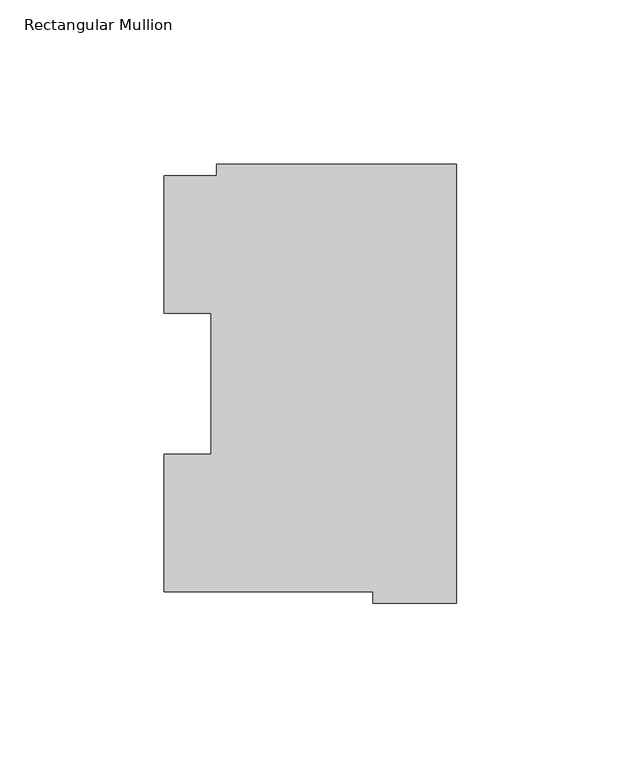
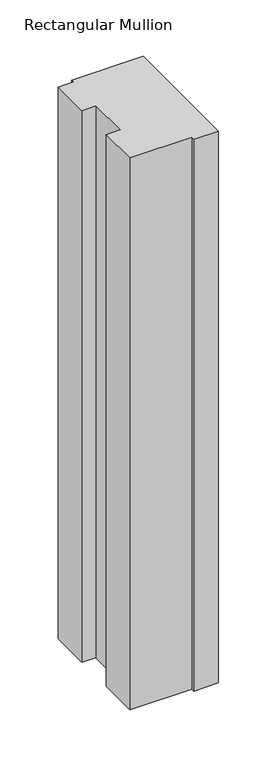
"""IFC4 building model written with IfcOpenShell, lengths in millimetres: member geometry, Rectangular Mullion."""

from ifc_helpers import new_model, si_unit, frame, origin, place, context, project, spatial, polyline, outline, extrude, source, transform, mapped, element, save


def rectangular_mullion_20b36d20(model_context):
    return source(origin(), model_context, "Body", "SweptSolid", [
        extrude(outline(polyline([(-72.9776553, 130.1706837), (0.0, 130.1706837), (0.0, -3.193538), (-25.3822228, -3.193538), (-25.3822228, 0.26035), (-88.8822228, 0.26035), (-88.8822228, 42.0485036), (-74.5923808, 42.0485036), (-74.5923808, 84.93125), (-88.8822228, 84.93125), (-88.8822228, 126.75235), (-72.9776553, 126.75235), (-72.9776553, 130.1706837)])), frame((0.0, 0.0, -596.9063826), z_axis=(0.0, 0.0, 1.0), x_axis=(1.0, 0.0, 0.0)), (0.0, 0.0, 1.0), 596.9063826),
    ])


if __name__ == "__main__":
    model = new_model("IFC4")
    model_context = context("Model", 3, world=origin())
    ifc_project = project(units=[si_unit("LENGTHUNIT", "METRE", prefix="MILLI")], contexts=[model_context])
    site = spatial("IfcSite", under=ifc_project)
    building = spatial("IfcBuilding", under=site)
    placement = place(None, origin())
    rectangular_mullion_shape = rectangular_mullion_20b36d20(model_context)
    element("IfcMember", 1, ObjectType="Rectangular Mullion", at=placement, inside=building, context=model_context, shape_type="MappedRepresentation", body=[
        mapped(rectangular_mullion_shape, transform((0.0, 0.0, 0.0), x_axis=(1.0, 0.0, 0.0), y_axis=(0.0, 1.0, 0.0), z_axis=(0.0, 0.0, 1.0))),
    ])
    save(model, "model.ifc")
